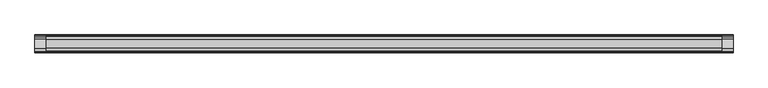
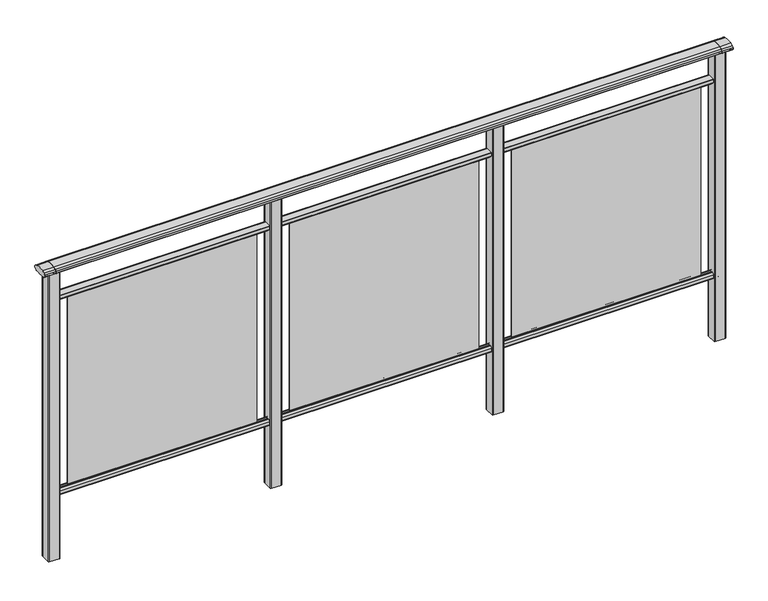
"""IFC4 building model written with IfcOpenShell, lengths in millimetres: railing geometry."""

from ifc_helpers import new_model, si_unit, point, frame, frame_2d, origin, place, context, project, spatial, polyline, circle_curve, trimmed, segment, composite_curve, outline, extrude, source, transform, mapped, element, save


def railing_68ad1d2d(model_context):
    return source(origin(), model_context, "Body", "SweptSolid", [
        extrude(outline(composite_curve([segment(trimmed(circle_curve(frame_2d((7270.3619413, 1153.851602)), 44.999996), [point((7281.0673858, 1197.5596459))], [point((7293.2601573, 1192.5901015))], False, "CARTESIAN"), True, "CONTINUOUS"), segment(trimmed(circle_curve(frame_2d((7284.6097194, 1177.955556)), 17.0), [point((7293.2601573, 1192.5901015))], [point((7299.1544589, 1186.7561556))], False, "CARTESIAN"), True, "CONTINUOUS"), segment(trimmed(circle_curve(frame_2d((7292.0959826, 1182.4852765)), 8.2499997), [point((7299.1544589, 1186.7561556))], [point((7299.1544535, 1178.2143885))], False, "CARTESIAN"), True, "CONTINUOUS"), segment(trimmed(circle_curve(frame_2d((7284.6097251, 1187.0150065)), 17.0), [point((7299.1544535, 1178.2143885))], [point((7293.2601665, 1172.380463))], False, "CARTESIAN"), True, "CONTINUOUS"), segment(trimmed(circle_curve(frame_2d((7270.3619413, 1211.1189571)), 44.999996), [point((7293.2601665, 1172.380463))], [point((7288.7876029, 1170.064181))], False, "CARTESIAN"), True, "CONTINUOUS"), segment(trimmed(circle_curve(frame_2d((7288.1786159, 1172.1635324)), 2.185896), [point((7288.7876029, 1170.064181))], [point((7287.9960148, 1169.9852766))], False, "CARTESIAN"), True, "CONTINUOUS"), segment(trimmed(circle_curve(frame_2d((7287.9960148, 1170.8852766)), 0.9), [point((7287.9960148, 1169.9852766))], [point((7287.0981091, 1170.8239135))], False, "CARTESIAN"), True, "CONTINUOUS"), segment(trimmed(circle_curve(frame_2d((7286.5194733, 1170.8239135)), 0.5786359), [point((7287.0981091, 1170.8239135))], [point((7286.5194733, 1170.2452777))], False, "CARTESIAN"), True, "CONTINUOUS"), segment(polyline([(7286.5194733, 1170.2452777), (7269.5751393, 1170.2452777)]), True, "CONTINUOUS"), segment(trimmed(circle_curve(frame_2d((7260.8508208, 1187.1238497)), 18.999998), [point((7269.5751393, 1170.2452777))], [point((7252.1265024, 1170.2452777))], False, "CARTESIAN"), True, "CONTINUOUS"), segment(polyline([(7252.1265024, 1170.2452777), (7235.1821348, 1170.2452777)]), True, "CONTINUOUS"), segment(trimmed(circle_curve(frame_2d((7235.1821348, 1170.8239135)), 0.5786359), [point((7235.1821348, 1170.2452777))], [point((7234.603499, 1170.8239135))], False, "CARTESIAN"), True, "CONTINUOUS"), segment(trimmed(circle_curve(frame_2d((7233.7055933, 1170.8852766)), 0.9), [point((7234.603499, 1170.8239135))], [point((7233.7055933, 1169.9852766))], False, "CARTESIAN"), True, "CONTINUOUS"), segment(trimmed(circle_curve(frame_2d((7233.5229922, 1172.1635324)), 2.185896), [point((7233.7055933, 1169.9852766))], [point((7232.9140052, 1170.064181))], False, "CARTESIAN"), True, "CONTINUOUS"), segment(trimmed(circle_curve(frame_2d((7251.3396668, 1211.1189571)), 44.999996), [point((7232.9140052, 1170.064181))], [point((7228.8767914, 1172.1264081))], False, "CARTESIAN"), True, "CONTINUOUS"), segment(trimmed(circle_curve(frame_2d((7237.082215, 1187.0150288)), 17.0), [point((7228.8767914, 1172.1264081))], [point((7222.5375128, 1178.2143675))], False, "CARTESIAN"), True, "CONTINUOUS"), segment(trimmed(circle_curve(frame_2d((7229.595971, 1182.4852765)), 8.2499997), [point((7222.5375128, 1178.2143675))], [point((7222.5375074, 1186.7561766))], False, "CARTESIAN"), True, "CONTINUOUS"), segment(trimmed(circle_curve(frame_2d((7237.0822207, 1177.9555337)), 17.0), [point((7222.5375074, 1186.7561766))], [point((7228.4317599, 1192.5900657))], False, "CARTESIAN"), True, "CONTINUOUS"), segment(trimmed(circle_curve(frame_2d((7251.3300365, 1153.851602)), 44.999996), [point((7228.4317599, 1192.5900657))], [point((7240.624592, 1197.5596459))], False, "CARTESIAN"), True, "CONTINUOUS"), segment(trimmed(circle_curve(frame_2d((7260.8459889, 1115.0000001)), 85.0), [point((7240.624592, 1197.5596459))], [point((7281.0673858, 1197.5596459))], False, "CARTESIAN"), True, "CONTINUOUS")], self_intersect=False)), frame((3671.3946925, 0.0, 0.0), z_axis=(1.0, 0.0, 0.0), x_axis=(0.0, 1.0, 0.0)), (0.0, 0.0, 1.0), 3000.0),
        extrude(outline(composite_curve([segment(polyline([(7276.5508136, 100.0), (7245.1507946, 100.0)]), True, "CONTINUOUS"), segment(trimmed(circle_curve(frame_2d((7245.1507946, 101.8)), 1.8), [point((7245.1507946, 100.0))], [point((7243.3507946, 101.8))], False, "CARTESIAN"), True, "CONTINUOUS"), segment(polyline([(7243.3507946, 101.8), (7243.3507946, 115.5269955)]), True, "CONTINUOUS"), segment(trimmed(circle_curve(frame_2d((7245.1507946, 115.5269955)), 1.8), [point((7243.3507946, 115.5269955))], [point((7243.7923399, 116.7079277))], False, "CARTESIAN"), True, "CONTINUOUS"), segment(polyline([(7243.7923399, 116.7079277), (7250.4626384, 124.3809322)]), True, "CONTINUOUS"), segment(trimmed(circle_curve(frame_2d((7251.8210931, 123.2)), 1.8), [point((7250.4626384, 124.3809322))], [point((7251.8210931, 125.0))], False, "CARTESIAN"), True, "CONTINUOUS"), segment(polyline([(7251.8210931, 125.0), (7255.5111113, 125.0), (7256.809143, 113.0), (7264.8924411, 113.0), (7266.1904978, 125.0), (7269.88054, 125.0)]), True, "CONTINUOUS"), segment(trimmed(circle_curve(frame_2d((7269.88054, 123.2)), 1.8), [point((7269.88054, 125.0))], [point((7271.2389969, 124.3809297))], False, "CARTESIAN"), True, "CONTINUOUS"), segment(polyline([(7271.2389969, 124.3809297), (7277.9092704, 116.7079252)]), True, "CONTINUOUS"), segment(trimmed(circle_curve(frame_2d((7276.5508136, 115.5269955)), 1.8), [point((7277.9092704, 116.7079252))], [point((7278.3508136, 115.5269955))], False, "CARTESIAN"), True, "CONTINUOUS"), segment(polyline([(7278.3508136, 115.5269955), (7278.3508136, 101.8)]), True, "CONTINUOUS"), segment(trimmed(circle_curve(frame_2d((7276.5508136, 101.8)), 1.8), [point((7278.3508136, 101.8))], [point((7276.5508136, 100.0))], False, "CARTESIAN"), True, "CONTINUOUS")], self_intersect=False)), frame((3671.3946925, 0.0, 0.0), z_axis=(1.0, 0.0, 0.0), x_axis=(0.0, 1.0, 0.0)), (0.0, 0.0, 1.0), 3000.0),
        extrude(outline(composite_curve([segment(polyline([(7245.1507946, 1050.0), (7276.5508136, 1050.0)]), True, "CONTINUOUS"), segment(trimmed(circle_curve(frame_2d((7276.5508136, 1048.2)), 1.8), [point((7276.5508136, 1050.0))], [point((7278.3508136, 1048.2))], False, "CARTESIAN"), True, "CONTINUOUS"), segment(polyline([(7278.3508136, 1048.2), (7278.3508136, 1034.4730045)]), True, "CONTINUOUS"), segment(trimmed(circle_curve(frame_2d((7276.5508136, 1034.4730045)), 1.8), [point((7278.3508136, 1034.4730045))], [point((7277.9092704, 1033.2920748))], False, "CARTESIAN"), True, "CONTINUOUS"), segment(polyline([(7277.9092704, 1033.2920748), (7271.2389969, 1025.6190703)]), True, "CONTINUOUS"), segment(trimmed(circle_curve(frame_2d((7269.88054, 1026.8)), 1.8), [point((7271.2389969, 1025.6190703))], [point((7269.88054, 1025.0))], False, "CARTESIAN"), True, "CONTINUOUS"), segment(polyline([(7269.88054, 1025.0), (7266.1904978, 1025.0), (7264.8924411, 1037.0), (7256.809143, 1037.0), (7255.5111113, 1025.0), (7251.8210931, 1025.0)]), True, "CONTINUOUS"), segment(trimmed(circle_curve(frame_2d((7251.8210931, 1026.8)), 1.8), [point((7251.8210931, 1025.0))], [point((7250.4626384, 1025.6190678))], False, "CARTESIAN"), True, "CONTINUOUS"), segment(polyline([(7250.4626384, 1025.6190678), (7243.7923399, 1033.2920723)]), True, "CONTINUOUS"), segment(trimmed(circle_curve(frame_2d((7245.1507946, 1034.4730045)), 1.8), [point((7243.7923399, 1033.2920723))], [point((7243.3507946, 1034.4730045))], False, "CARTESIAN"), True, "CONTINUOUS"), segment(polyline([(7243.3507946, 1034.4730045), (7243.3507946, 1048.2)]), True, "CONTINUOUS"), segment(trimmed(circle_curve(frame_2d((7245.1507946, 1048.2)), 1.8), [point((7243.3507946, 1048.2))], [point((7245.1507946, 1050.0))], False, "CARTESIAN"), True, "CONTINUOUS")], self_intersect=False)), frame((3671.3946925, 0.0, 0.0), z_axis=(1.0, 0.0, 0.0), x_axis=(0.0, 1.0, 0.0)), (0.0, 0.0, 1.0), 3000.0),
        extrude(outline(polyline([(5746.3946925, 7262.8508041), (6596.3946925, 7262.8508041), (6596.3946925, 7258.8508041), (5746.3946925, 7258.8508041), (5746.3946925, 7262.8508041)])), frame((0.0, 0.0, 125.0), z_axis=(0.0, 0.0, 1.0), x_axis=(1.0, 0.0, 0.0)), (0.0, 0.0, 1.0), 900.0),
        extrude(outline(composite_curve([segment(trimmed(circle_curve(frame_2d((5693.7947043, 7283.2508153)), 3.0), [point((5693.794704, 7286.2508153))], [point((5696.7947043, 7283.2508156))], False, "CARTESIAN"), True, "CONTINUOUS"), segment(polyline([(5696.7947043, 7283.2508156), (5696.7947083, 7238.4507926)]), True, "CONTINUOUS"), segment(trimmed(circle_curve(frame_2d((5693.7947083, 7238.4507923)), 3.0), [point((5696.7947083, 7238.4507926))], [point((5693.7947086, 7235.4507923))], False, "CARTESIAN"), True, "CONTINUOUS"), segment(polyline([(5693.7947086, 7235.4507923), (5648.9946856, 7235.4507883)]), True, "CONTINUOUS"), segment(trimmed(circle_curve(frame_2d((5648.9946853, 7238.4507883)), 3.0), [point((5648.9946856, 7235.4507883))], [point((5645.9946853, 7238.450788))], False, "CARTESIAN"), True, "CONTINUOUS"), segment(polyline([(5645.9946853, 7238.450788), (5645.9946813, 7283.250811)]), True, "CONTINUOUS"), segment(trimmed(circle_curve(frame_2d((5648.9946813, 7283.2508113)), 3.0), [point((5645.9946813, 7283.250811))], [point((5648.994681, 7286.2508113))], False, "CARTESIAN"), True, "CONTINUOUS"), segment(polyline([(5648.994681, 7286.2508113), (5693.794704, 7286.2508153)]), True, "CONTINUOUS")], self_intersect=False)), frame((0.0, 0.0, -198.0), z_axis=(0.0, 0.0, 1.0), x_axis=(1.0, 0.0, 0.0)), (0.0, 0.0, 1.0), 1366.1238517),
        extrude(outline(polyline([(4746.3946925, 7262.8508041), (5596.3946925, 7262.8508041), (5596.3946925, 7258.8508041), (4746.3946925, 7258.8508041), (4746.3946925, 7262.8508041)])), frame((0.0, 0.0, 125.0), z_axis=(0.0, 0.0, 1.0), x_axis=(1.0, 0.0, 0.0)), (0.0, 0.0, 1.0), 900.0),
        extrude(outline(composite_curve([segment(trimmed(circle_curve(frame_2d((4693.7947043, 7283.2508153)), 3.0), [point((4693.794704, 7286.2508153))], [point((4696.7947043, 7283.2508156))], False, "CARTESIAN"), True, "CONTINUOUS"), segment(polyline([(4696.7947043, 7283.2508156), (4696.7947083, 7238.4507926)]), True, "CONTINUOUS"), segment(trimmed(circle_curve(frame_2d((4693.7947083, 7238.4507923)), 3.0), [point((4696.7947083, 7238.4507926))], [point((4693.7947086, 7235.4507923))], False, "CARTESIAN"), True, "CONTINUOUS"), segment(polyline([(4693.7947086, 7235.4507923), (4648.9946856, 7235.4507883)]), True, "CONTINUOUS"), segment(trimmed(circle_curve(frame_2d((4648.9946853, 7238.4507883)), 3.0), [point((4648.9946856, 7235.4507883))], [point((4645.9946853, 7238.450788))], False, "CARTESIAN"), True, "CONTINUOUS"), segment(polyline([(4645.9946853, 7238.450788), (4645.9946813, 7283.250811)]), True, "CONTINUOUS"), segment(trimmed(circle_curve(frame_2d((4648.9946813, 7283.2508113)), 3.0), [point((4645.9946813, 7283.250811))], [point((4648.994681, 7286.2508113))], False, "CARTESIAN"), True, "CONTINUOUS"), segment(polyline([(4648.994681, 7286.2508113), (4693.794704, 7286.2508153)]), True, "CONTINUOUS")], self_intersect=False)), frame((0.0, 0.0, -198.0), z_axis=(0.0, 0.0, 1.0), x_axis=(1.0, 0.0, 0.0)), (0.0, 0.0, 1.0), 1366.1238517),
        extrude(outline(polyline([(3746.3946925, 7262.8508041), (4596.3946925, 7262.8508041), (4596.3946925, 7258.8508041), (3746.3946925, 7258.8508041), (3746.3946925, 7262.8508041)])), frame((0.0, 0.0, 125.0), z_axis=(0.0, 0.0, 1.0), x_axis=(1.0, 0.0, 0.0)), (0.0, 0.0, 1.0), 900.0),
        extrude(outline(composite_curve([segment(trimmed(circle_curve(frame_2d((6693.7947043, 7283.2508153)), 3.0), [point((6693.794704, 7286.2508153))], [point((6696.7947043, 7283.2508156))], False, "CARTESIAN"), True, "CONTINUOUS"), segment(polyline([(6696.7947043, 7283.2508156), (6696.7947083, 7238.4507926)]), True, "CONTINUOUS"), segment(trimmed(circle_curve(frame_2d((6693.7947083, 7238.4507923)), 3.0), [point((6696.7947083, 7238.4507926))], [point((6693.7947086, 7235.4507923))], False, "CARTESIAN"), True, "CONTINUOUS"), segment(polyline([(6693.7947086, 7235.4507923), (6648.9946856, 7235.4507883)]), True, "CONTINUOUS"), segment(trimmed(circle_curve(frame_2d((6648.9946853, 7238.4507883)), 3.0), [point((6648.9946856, 7235.4507883))], [point((6645.9946853, 7238.450788))], False, "CARTESIAN"), True, "CONTINUOUS"), segment(polyline([(6645.9946853, 7238.450788), (6645.9946813, 7283.250811)]), True, "CONTINUOUS"), segment(trimmed(circle_curve(frame_2d((6648.9946813, 7283.2508113)), 3.0), [point((6645.9946813, 7283.250811))], [point((6648.994681, 7286.2508113))], False, "CARTESIAN"), True, "CONTINUOUS"), segment(polyline([(6648.994681, 7286.2508113), (6693.794704, 7286.2508153)]), True, "CONTINUOUS")], self_intersect=False)), frame((0.0, 0.0, -198.0), z_axis=(0.0, 0.0, 1.0), x_axis=(1.0, 0.0, 0.0)), (0.0, 0.0, 1.0), 1366.1238517),
        extrude(outline(composite_curve([segment(trimmed(circle_curve(frame_2d((7270.3619413, 1153.851602)), 44.999996), [point((7281.0673858, 1197.5596459))], [point((7293.2601573, 1192.5901015))], False, "CARTESIAN"), True, "CONTINUOUS"), segment(trimmed(circle_curve(frame_2d((7284.6097194, 1177.955556)), 17.0), [point((7293.2601573, 1192.5901015))], [point((7299.1544589, 1186.7561556))], False, "CARTESIAN"), True, "CONTINUOUS"), segment(trimmed(circle_curve(frame_2d((7292.0959826, 1182.4852765)), 8.2499997), [point((7299.1544589, 1186.7561556))], [point((7299.1544535, 1178.2143885))], False, "CARTESIAN"), True, "CONTINUOUS"), segment(trimmed(circle_curve(frame_2d((7284.6097251, 1187.0150065)), 17.0), [point((7299.1544535, 1178.2143885))], [point((7293.2601665, 1172.380463))], False, "CARTESIAN"), True, "CONTINUOUS"), segment(trimmed(circle_curve(frame_2d((7270.3619413, 1211.1189571)), 44.999996), [point((7293.2601665, 1172.380463))], [point((7288.7876029, 1170.064181))], False, "CARTESIAN"), True, "CONTINUOUS"), segment(trimmed(circle_curve(frame_2d((7288.1786159, 1172.1635324)), 2.185896), [point((7288.7876029, 1170.064181))], [point((7287.9960148, 1169.9852766))], False, "CARTESIAN"), True, "CONTINUOUS"), segment(trimmed(circle_curve(frame_2d((7287.9960148, 1170.8852766)), 0.9), [point((7287.9960148, 1169.9852766))], [point((7287.0981091, 1170.8239135))], False, "CARTESIAN"), True, "CONTINUOUS"), segment(trimmed(circle_curve(frame_2d((7286.5194733, 1170.8239135)), 0.5786359), [point((7287.0981091, 1170.8239135))], [point((7286.5194733, 1170.2452777))], False, "CARTESIAN"), True, "CONTINUOUS"), segment(polyline([(7286.5194733, 1170.2452777), (7269.5751393, 1170.2452777)]), True, "CONTINUOUS"), segment(trimmed(circle_curve(frame_2d((7260.8508208, 1187.1238497)), 18.999998), [point((7269.5751393, 1170.2452777))], [point((7252.1265024, 1170.2452777))], False, "CARTESIAN"), True, "CONTINUOUS"), segment(polyline([(7252.1265024, 1170.2452777), (7235.1821348, 1170.2452777)]), True, "CONTINUOUS"), segment(trimmed(circle_curve(frame_2d((7235.1821348, 1170.8239135)), 0.5786359), [point((7235.1821348, 1170.2452777))], [point((7234.603499, 1170.8239135))], False, "CARTESIAN"), True, "CONTINUOUS"), segment(trimmed(circle_curve(frame_2d((7233.7055933, 1170.8852766)), 0.9), [point((7234.603499, 1170.8239135))], [point((7233.7055933, 1169.9852766))], False, "CARTESIAN"), True, "CONTINUOUS"), segment(trimmed(circle_curve(frame_2d((7233.5229922, 1172.1635324)), 2.185896), [point((7233.7055933, 1169.9852766))], [point((7232.9140052, 1170.064181))], False, "CARTESIAN"), True, "CONTINUOUS"), segment(trimmed(circle_curve(frame_2d((7251.3396668, 1211.1189571)), 44.999996), [point((7232.9140052, 1170.064181))], [point((7228.8767914, 1172.1264081))], False, "CARTESIAN"), True, "CONTINUOUS"), segment(trimmed(circle_curve(frame_2d((7237.082215, 1187.0150288)), 17.0), [point((7228.8767914, 1172.1264081))], [point((7222.5375128, 1178.2143675))], False, "CARTESIAN"), True, "CONTINUOUS"), segment(trimmed(circle_curve(frame_2d((7229.595971, 1182.4852765)), 8.2499997), [point((7222.5375128, 1178.2143675))], [point((7222.5375074, 1186.7561766))], False, "CARTESIAN"), True, "CONTINUOUS"), segment(trimmed(circle_curve(frame_2d((7237.0822207, 1177.9555337)), 17.0), [point((7222.5375074, 1186.7561766))], [point((7228.4317599, 1192.5900657))], False, "CARTESIAN"), True, "CONTINUOUS"), segment(trimmed(circle_curve(frame_2d((7251.3300365, 1153.851602)), 44.999996), [point((7228.4317599, 1192.5900657))], [point((7240.624592, 1197.5596459))], False, "CARTESIAN"), True, "CONTINUOUS"), segment(trimmed(circle_curve(frame_2d((7260.8459889, 1115.0000001)), 85.0), [point((7240.624592, 1197.5596459))], [point((7281.0673858, 1197.5596459))], False, "CARTESIAN"), True, "CONTINUOUS")], self_intersect=False)), frame((6671.3946838, 0.0, 0.0), z_axis=(1.0, 0.0, 0.0), x_axis=(0.0, 1.0, 0.0)), (0.0, 0.0, 1.0), 50.0),
        extrude(outline(composite_curve([segment(trimmed(circle_curve(frame_2d((3693.7947043, 7283.2508153)), 3.0), [point((3693.794704, 7286.2508153))], [point((3696.7947043, 7283.2508156))], False, "CARTESIAN"), True, "CONTINUOUS"), segment(polyline([(3696.7947043, 7283.2508156), (3696.7947083, 7238.4507926)]), True, "CONTINUOUS"), segment(trimmed(circle_curve(frame_2d((3693.7947083, 7238.4507923)), 3.0), [point((3696.7947083, 7238.4507926))], [point((3693.7947086, 7235.4507923))], False, "CARTESIAN"), True, "CONTINUOUS"), segment(polyline([(3693.7947086, 7235.4507923), (3648.9946856, 7235.4507883)]), True, "CONTINUOUS"), segment(trimmed(circle_curve(frame_2d((3648.9946853, 7238.4507883)), 3.0), [point((3648.9946856, 7235.4507883))], [point((3645.9946853, 7238.450788))], False, "CARTESIAN"), True, "CONTINUOUS"), segment(polyline([(3645.9946853, 7238.450788), (3645.9946813, 7283.250811)]), True, "CONTINUOUS"), segment(trimmed(circle_curve(frame_2d((3648.9946813, 7283.2508113)), 3.0), [point((3645.9946813, 7283.250811))], [point((3648.994681, 7286.2508113))], False, "CARTESIAN"), True, "CONTINUOUS"), segment(polyline([(3648.994681, 7286.2508113), (3693.794704, 7286.2508153)]), True, "CONTINUOUS")], self_intersect=False)), frame((0.0, 0.0, -198.0), z_axis=(0.0, 0.0, 1.0), x_axis=(1.0, 0.0, 0.0)), (0.0, 0.0, 1.0), 1366.1238517),
        extrude(outline(composite_curve([segment(trimmed(circle_curve(frame_2d((7270.3619413, 1153.851602)), 44.999996), [point((7281.0673858, 1197.5596459))], [point((7293.2601573, 1192.5901015))], False, "CARTESIAN"), True, "CONTINUOUS"), segment(trimmed(circle_curve(frame_2d((7284.6097194, 1177.955556)), 17.0), [point((7293.2601573, 1192.5901015))], [point((7299.1544589, 1186.7561556))], False, "CARTESIAN"), True, "CONTINUOUS"), segment(trimmed(circle_curve(frame_2d((7292.0959826, 1182.4852765)), 8.2499997), [point((7299.1544589, 1186.7561556))], [point((7299.1544535, 1178.2143885))], False, "CARTESIAN"), True, "CONTINUOUS"), segment(trimmed(circle_curve(frame_2d((7284.6097251, 1187.0150065)), 17.0), [point((7299.1544535, 1178.2143885))], [point((7293.2601665, 1172.380463))], False, "CARTESIAN"), True, "CONTINUOUS"), segment(trimmed(circle_curve(frame_2d((7270.3619413, 1211.1189571)), 44.999996), [point((7293.2601665, 1172.380463))], [point((7288.7876029, 1170.064181))], False, "CARTESIAN"), True, "CONTINUOUS"), segment(trimmed(circle_curve(frame_2d((7288.1786159, 1172.1635324)), 2.185896), [point((7288.7876029, 1170.064181))], [point((7287.9960148, 1169.9852766))], False, "CARTESIAN"), True, "CONTINUOUS"), segment(trimmed(circle_curve(frame_2d((7287.9960148, 1170.8852766)), 0.9), [point((7287.9960148, 1169.9852766))], [point((7287.0981091, 1170.8239135))], False, "CARTESIAN"), True, "CONTINUOUS"), segment(trimmed(circle_curve(frame_2d((7286.5194733, 1170.8239135)), 0.5786359), [point((7287.0981091, 1170.8239135))], [point((7286.5194733, 1170.2452777))], False, "CARTESIAN"), True, "CONTINUOUS"), segment(polyline([(7286.5194733, 1170.2452777), (7269.5751393, 1170.2452777)]), True, "CONTINUOUS"), segment(trimmed(circle_curve(frame_2d((7260.8508208, 1187.1238497)), 18.999998), [point((7269.5751393, 1170.2452777))], [point((7252.1265024, 1170.2452777))], False, "CARTESIAN"), True, "CONTINUOUS"), segment(polyline([(7252.1265024, 1170.2452777), (7235.1821348, 1170.2452777)]), True, "CONTINUOUS"), segment(trimmed(circle_curve(frame_2d((7235.1821348, 1170.8239135)), 0.5786359), [point((7235.1821348, 1170.2452777))], [point((7234.603499, 1170.8239135))], False, "CARTESIAN"), True, "CONTINUOUS"), segment(trimmed(circle_curve(frame_2d((7233.7055933, 1170.8852766)), 0.9), [point((7234.603499, 1170.8239135))], [point((7233.7055933, 1169.9852766))], False, "CARTESIAN"), True, "CONTINUOUS"), segment(trimmed(circle_curve(frame_2d((7233.5229922, 1172.1635324)), 2.185896), [point((7233.7055933, 1169.9852766))], [point((7232.9140052, 1170.064181))], False, "CARTESIAN"), True, "CONTINUOUS"), segment(trimmed(circle_curve(frame_2d((7251.3396668, 1211.1189571)), 44.999996), [point((7232.9140052, 1170.064181))], [point((7228.8767914, 1172.1264081))], False, "CARTESIAN"), True, "CONTINUOUS"), segment(trimmed(circle_curve(frame_2d((7237.082215, 1187.0150288)), 17.0), [point((7228.8767914, 1172.1264081))], [point((7222.5375128, 1178.2143675))], False, "CARTESIAN"), True, "CONTINUOUS"), segment(trimmed(circle_curve(frame_2d((7229.595971, 1182.4852765)), 8.2499997), [point((7222.5375128, 1178.2143675))], [point((7222.5375074, 1186.7561766))], False, "CARTESIAN"), True, "CONTINUOUS"), segment(trimmed(circle_curve(frame_2d((7237.0822207, 1177.9555337)), 17.0), [point((7222.5375074, 1186.7561766))], [point((7228.4317599, 1192.5900657))], False, "CARTESIAN"), True, "CONTINUOUS"), segment(trimmed(circle_curve(frame_2d((7251.3300365, 1153.851602)), 44.999996), [point((7228.4317599, 1192.5900657))], [point((7240.624592, 1197.5596459))], False, "CARTESIAN"), True, "CONTINUOUS"), segment(trimmed(circle_curve(frame_2d((7260.8459889, 1115.0000001)), 85.0), [point((7240.624592, 1197.5596459))], [point((7281.0673858, 1197.5596459))], False, "CARTESIAN"), True, "CONTINUOUS")], self_intersect=False)), frame((3621.3946838, 0.0, 0.0), z_axis=(1.0, 0.0, 0.0), x_axis=(0.0, 1.0, 0.0)), (0.0, 0.0, 1.0), 50.0),
    ])


if __name__ == "__main__":
    model = new_model("IFC4")
    model_context = context("Model", 3, world=origin())
    ifc_project = project(units=[si_unit("LENGTHUNIT", "METRE", prefix="MILLI")], contexts=[model_context])
    site = spatial("IfcSite", under=ifc_project)
    building = spatial("IfcBuilding", under=site)
    placement = place(None, origin())
    railing_shape = railing_68ad1d2d(model_context)
    element("IfcRailing", 1, at=placement, inside=building, context=model_context, shape_type="MappedRepresentation", body=[
        mapped(railing_shape, transform((0.0, 0.0, 0.0), x_axis=(1.0, 0.0, 0.0), y_axis=(0.0, 1.0, 0.0), z_axis=(0.0, 0.0, 1.0))),
    ])
    save(model, "model.ifc")
